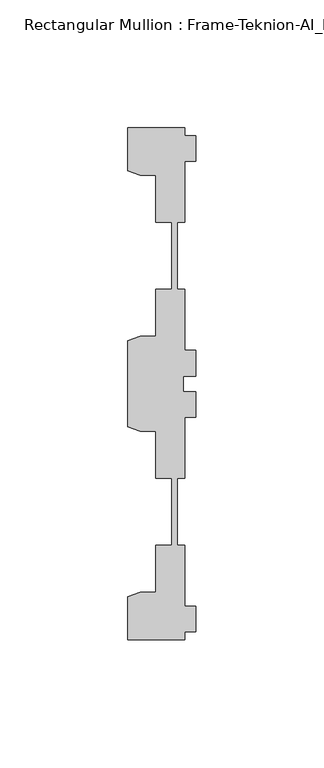
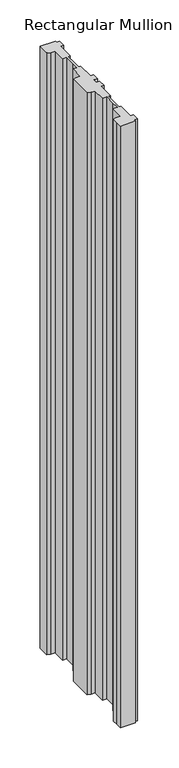
"""IFC4 building model written with IfcOpenShell, lengths in millimetres: member geometry, Rectangular Mullion : Frame-Teknion-AI_Healthcare-Ceiling_Double_Channel."""

from ifc_helpers import new_model, si_unit, frame, origin, place, context, project, spatial, polyline, outline, extrude, source, transform, mapped, element, save


def rectangular_mullion_frame_teknion_ai_healthcare_ceiling_cd054a4e(model_context):
    return source(origin(), model_context, "Body", "SweptSolid", [
        extrude(outline(polyline([(-4.2672007, 100.0110586), (-4.2672007, 96.9534451), (0.0, 96.9534451), (0.0, 86.9534377), (-4.2672007, 86.9534377), (-4.2672007, 63.0824429), (-7.1647766, 63.0824429), (-7.1647766, 48.9859882), (-7.1647766, 36.9204406), (-4.2672007, 36.9204406), (-4.2672007, 13.0494413), (0.0, 13.0494413), (0.0, 3.0494419), (-4.7752002, 3.0494419), (-4.7752002, 0.0), (-4.7752002, -3.0494419), (0.0, -3.0494419), (0.0, -13.0494413), (-4.2672007, -13.0494413), (-4.2672007, -36.9204406), (-7.1647766, -36.9204406), (-7.1647766, -50.7500324), (-7.1647766, -63.0824429), (-4.2672007, -63.0824429), (-4.2672007, -86.9534377), (0.0, -86.9534377), (0.0, -96.9534451), (-4.2672007, -96.9534451), (-4.2672007, -100.0014421), (-26.4921999, -100.0014421), (-26.4921999, -90.2224424), (-26.4921999, -83.1915336), (-21.6625199, -81.4594689), (-15.6737764, -81.4594689), (-15.6737764, -63.0824429), (-9.4507761, -63.0824429), (-9.4507761, -50.8315128), (-9.4507761, -36.9204406), (-15.6737764, -36.9204406), (-15.6737764, -18.5434146), (-21.6625199, -18.5434146), (-26.4921999, -16.8113452), (-26.4921999, 16.8113452), (-21.6357055, 18.5530311), (-15.6737764, 18.5530311), (-15.6737764, 36.9300571), (-9.4507761, 36.9300571), (-9.4507761, 47.8659877), (-9.4507761, 63.0920594), (-15.6737764, 63.0920594), (-15.6737764, 81.4690854), (-21.6625199, 81.4690854), (-26.4921999, 83.20115), (-26.4921999, 100.0110586), (-4.2672007, 100.0110586)])), frame((0.0, 0.0, -914.4), z_axis=(0.0, 0.0, 1.0), x_axis=(1.0, 0.0, 0.0)), (0.0, 0.0, 1.0), 914.4),
    ])


if __name__ == "__main__":
    model = new_model("IFC4")
    model_context = context("Model", 3, world=origin())
    ifc_project = project(units=[si_unit("LENGTHUNIT", "METRE", prefix="MILLI")], contexts=[model_context])
    site = spatial("IfcSite", under=ifc_project)
    building = spatial("IfcBuilding", under=site)
    placement = place(None, origin())
    rectangular_mullion_frame_teknion_ai_healthcare_ceiling_shape = rectangular_mullion_frame_teknion_ai_healthcare_ceiling_cd054a4e(model_context)
    element("IfcMember", 1, ObjectType="Rectangular Mullion : Frame-Teknion-AI_Healthcare-Ceiling_Double_Channel", at=placement, inside=building, context=model_context, shape_type="MappedRepresentation", body=[
        mapped(rectangular_mullion_frame_teknion_ai_healthcare_ceiling_shape, transform((0.0, 0.0, 0.0), x_axis=(1.0, 0.0, 0.0), y_axis=(0.0, 1.0, 0.0), z_axis=(0.0, 0.0, 1.0))),
    ])
    save(model, "model.ifc")
